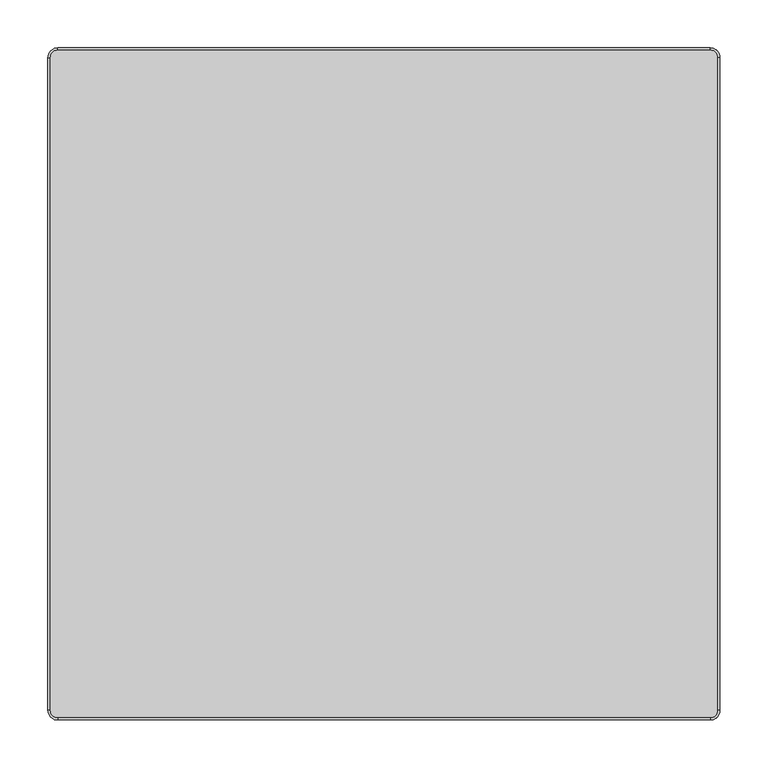
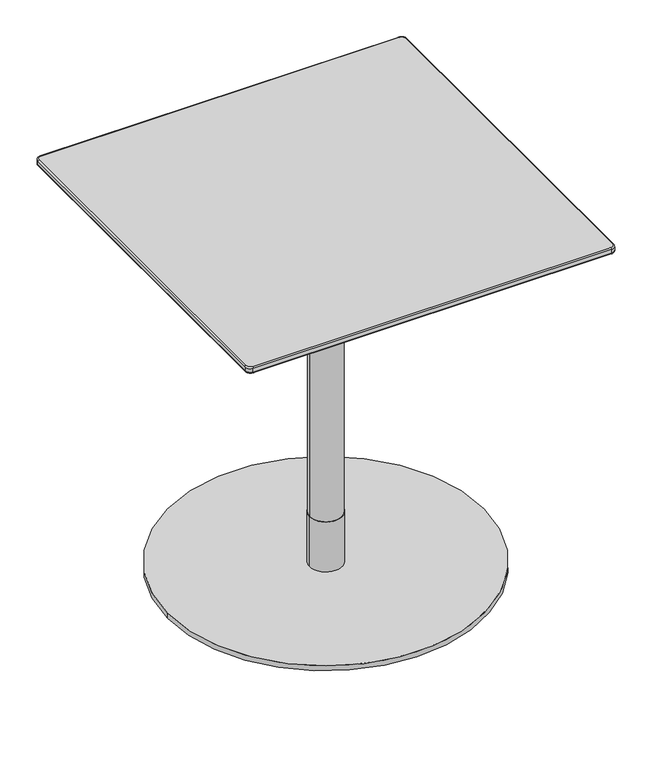
"""IFC4 building model written with IfcOpenShell, lengths in millimetres: furniture geometry."""

from ifc_helpers import new_model, si_unit, point, frame, origin, origin_with_axes, origin_2d, place, context, project, spatial, polyline, circle_curve, ellipse_curve, trimmed, segment, composite_curve, outline, extrude, source, transform, mapped, element, save
from ifc_brep_helpers import plane_surface, cylinder_surface, revolved_surface, spline_surface, advanced_brep


def furniture_15469471(model_context):
    return source(origin(), model_context, "Body", "SolidModel", [
        advanced_brep(
        [(-340.0, -348.6840403, 718.2400004), (-340.0, -350.0, 720.1193857), (-350.0, -340.0, 720.1193857), (-348.6840403, -340.0, 718.2400004), (-340.0, -350.0, 728.0), (-340.0, -348.0, 730.0), (-348.0, -340.0, 730.0), (-350.0, -340.0, 728.0), (340.0, -348.6840403, 718.2400004), (340.0, -350.0, 720.1193857), (340.0, -350.0, 728.0), (340.0, -348.0, 730.0), (348.6840403, -340.0, 718.2400004), (350.0, -340.0, 720.1193857), (350.0, -340.0, 728.0), (348.0, -340.0, 730.0), (348.6840403, 340.0, 718.2400004), (350.0, 340.0, 720.1193857), (350.0, 340.0, 728.0), (348.0, 340.0, 730.0), (340.0, 348.6840403, 718.2400004), (340.0, 350.0, 720.1193857), (340.0, 350.0, 728.0), (340.0, 348.0, 730.0), (-340.0, 348.6840403, 718.2400004), (-340.0, 350.0, 720.1193857), (-340.0, 350.0, 728.0), (-340.0, 348.0, 730.0), (-348.6840403, 340.0, 718.2400004), (-350.0, 340.0, 720.1193857), (-350.0, 340.0, 728.0), (-348.0, 340.0, 730.0)],
        [
            (0, 1, circle_curve(frame((-340.0, -348.0, 720.1193857), z_axis=(-1.0, 0.0, 0.0), x_axis=(0.0, 1.0, 0.0)), 2.0)),
            (1, 2, circle_curve(frame((-340.0, -340.0, 720.1193857), z_axis=(0.0, 0.0, -1.0), x_axis=(-1.0, 0.0, 0.0)), 10.0)),
            (2, 3, circle_curve(frame((-348.0, -340.0, 720.1193857), z_axis=(0.0, -1.0, 0.0), x_axis=(1.0, 0.0, 0.0)), 2.0)),
            (3, 0, circle_curve(frame((-340.0, -340.0, 718.2400004), z_axis=(0.0, 0.0, 1.0), x_axis=(-1.0, 0.0, 0.0)), 8.6840403)),
            (4, 5, circle_curve(frame((-340.0, -348.0, 728.0), z_axis=(-1.0, 0.0, 0.0), x_axis=(0.0, 1.0, 0.0)), 2.0)),
            (5, 6, circle_curve(frame((-340.0, -340.0, 730.0), z_axis=(0.0, 0.0, -1.0), x_axis=(-1.0, 0.0, 0.0)), 8.0)),
            (6, 7, circle_curve(frame((-348.0, -340.0, 728.0), z_axis=(0.0, -1.0, 0.0), x_axis=(1.0, 0.0, 0.0)), 2.0)),
            (7, 4, circle_curve(frame((-340.0, -340.0, 728.0), z_axis=(0.0, 0.0, 1.0), x_axis=(-1.0, 0.0, 0.0)), 10.0)),
            (0, 8),
            (8, 9, circle_curve(frame((340.0, -348.0, 720.1193857), z_axis=(-1.0, 0.0, 0.0), x_axis=(0.0, 1.0, 0.0)), 2.0)),
            (9, 1),
            (4, 10),
            (10, 11, circle_curve(frame((340.0, -348.0, 728.0), z_axis=(-1.0, 0.0, 0.0), x_axis=(0.0, 1.0, 0.0)), 2.0)),
            (11, 5),
            (8, 12, circle_curve(frame((340.0, -340.0, 718.2400004), z_axis=(0.0, 0.0, 1.0), x_axis=(0.0, -1.0, 0.0)), 8.6840403)),
            (12, 13, circle_curve(frame((348.0, -340.0, 720.1193857), z_axis=(0.0, -1.0, 0.0), x_axis=(-1.0, 0.0, 0.0)), 2.0)),
            (13, 9, circle_curve(frame((340.0, -340.0, 720.1193857), z_axis=(0.0, 0.0, -1.0), x_axis=(0.0, -1.0, 0.0)), 10.0)),
            (10, 14, circle_curve(frame((340.0, -340.0, 728.0), z_axis=(0.0, 0.0, 1.0), x_axis=(0.0, -1.0, 0.0)), 10.0)),
            (14, 15, circle_curve(frame((348.0, -340.0, 728.0), z_axis=(0.0, -1.0, 0.0), x_axis=(-1.0, 0.0, 0.0)), 2.0)),
            (15, 11, circle_curve(frame((340.0, -340.0, 730.0), z_axis=(0.0, 0.0, -1.0), x_axis=(0.0, -1.0, 0.0)), 8.0)),
            (12, 16),
            (16, 17, circle_curve(frame((348.0, 340.0, 720.1193857), z_axis=(0.0, -1.0, 0.0), x_axis=(-1.0, 0.0, 0.0)), 2.0)),
            (17, 13),
            (14, 18),
            (18, 19, circle_curve(frame((348.0, 340.0, 728.0), z_axis=(0.0, -1.0, 0.0), x_axis=(-1.0, 0.0, 0.0)), 2.0)),
            (19, 15),
            (16, 20, circle_curve(frame((340.0, 340.0, 718.2400004), z_axis=(0.0, 0.0, 1.0), x_axis=(1.0, 0.0, 0.0)), 8.6840403)),
            (20, 21, circle_curve(frame((340.0, 348.0, 720.1193857), z_axis=(1.0, 0.0, 0.0), x_axis=(0.0, -1.0, 0.0)), 2.0)),
            (21, 17, circle_curve(frame((340.0, 340.0, 720.1193857), z_axis=(0.0, 0.0, -1.0), x_axis=(1.0, 0.0, 0.0)), 10.0)),
            (18, 22, circle_curve(frame((340.0, 340.0, 728.0), z_axis=(0.0, 0.0, 1.0), x_axis=(1.0, 0.0, 0.0)), 10.0)),
            (22, 23, circle_curve(frame((340.0, 348.0, 728.0), z_axis=(1.0, 0.0, 0.0), x_axis=(0.0, -1.0, 0.0)), 2.0)),
            (23, 19, circle_curve(frame((340.0, 340.0, 730.0), z_axis=(0.0, 0.0, -1.0), x_axis=(1.0, 0.0, 0.0)), 8.0)),
            (20, 24),
            (24, 25, circle_curve(frame((-340.0, 348.0, 720.1193857), z_axis=(1.0, 0.0, 0.0), x_axis=(0.0, -1.0, 0.0)), 2.0)),
            (25, 21),
            (22, 26),
            (26, 27, circle_curve(frame((-340.0, 348.0, 728.0), z_axis=(1.0, 0.0, 0.0), x_axis=(0.0, -1.0, 0.0)), 2.0)),
            (27, 23),
            (24, 28, circle_curve(frame((-340.0, 340.0, 718.2400004), z_axis=(0.0, 0.0, 1.0), x_axis=(0.0, 1.0, 0.0)), 8.6840403)),
            (28, 29, circle_curve(frame((-348.0, 340.0, 720.1193857), z_axis=(0.0, 1.0, 0.0), x_axis=(1.0, 0.0, 0.0)), 2.0)),
            (29, 25, circle_curve(frame((-340.0, 340.0, 720.1193857), z_axis=(0.0, 0.0, -1.0), x_axis=(0.0, 1.0, 0.0)), 10.0)),
            (26, 30, circle_curve(frame((-340.0, 340.0, 728.0), z_axis=(0.0, 0.0, 1.0), x_axis=(0.0, 1.0, 0.0)), 10.0)),
            (30, 31, circle_curve(frame((-348.0, 340.0, 728.0), z_axis=(0.0, 1.0, 0.0), x_axis=(1.0, 0.0, 0.0)), 2.0)),
            (31, 27, circle_curve(frame((-340.0, 340.0, 730.0), z_axis=(0.0, 0.0, -1.0), x_axis=(0.0, 1.0, 0.0)), 8.0)),
            (2, 29),
            (28, 3),
            (6, 31),
            (30, 7),
            (22, 21),
            (25, 26),
            (30, 29),
            (2, 7),
            (4, 1),
            (9, 10),
            (14, 13),
            (17, 18),
        ],
        [
            revolved_surface(trimmed(ellipse_curve(frame((-348.0, -340.0, 720.1193857), z_axis=(0.0, 1.0, 0.0), x_axis=(1.0, 0.0, 0.0)), 2.0, 2.0), [point((-348.6840403, -340.0, 718.2400004))], [point((-350.0, -340.0, 720.1193857))], True, "CARTESIAN"), (-340.0, -340.0, 0.0), (0.0, 0.0, 1.0)),
            revolved_surface(trimmed(ellipse_curve(frame((-348.0, -340.0, 728.0), z_axis=(0.0, 1.0, 0.0), x_axis=(1.0, 0.0, 0.0)), 2.0, 2.0), [point((-350.0, -340.0, 728.0))], [point((-348.0, -340.0, 730.0))], True, "CARTESIAN"), (-340.0, -340.0, 0.0), (0.0, 0.0, 1.0)),
            cylinder_surface(frame((-340.0, -348.0, 720.1193857), z_axis=(1.0, 0.0, 0.0), x_axis=(0.0, 1.0, 0.0)), 2.0),
            cylinder_surface(frame((-340.0, -348.0, 728.0), z_axis=(1.0, 0.0, 0.0), x_axis=(0.0, 1.0, 0.0)), 2.0),
            revolved_surface(trimmed(ellipse_curve(frame((340.0, -348.0, 720.1193857), z_axis=(-1.0, 0.0, 0.0), x_axis=(0.0, 1.0, 0.0)), 2.0, 2.0), [point((340.0, -348.6840403, 718.2400004))], [point((340.0, -350.0, 720.1193857))], True, "CARTESIAN"), (340.0, -340.0, 0.0), (0.0, 0.0, 1.0)),
            revolved_surface(trimmed(ellipse_curve(frame((340.0, -348.0, 728.0), z_axis=(-1.0, 0.0, 0.0), x_axis=(0.0, 1.0, 0.0)), 2.0, 2.0), [point((340.0, -350.0, 728.0))], [point((340.0, -348.0, 730.0))], True, "CARTESIAN"), (340.0, -340.0, 0.0), (0.0, 0.0, 1.0)),
            cylinder_surface(frame((348.0, -340.0, 720.1193857), z_axis=(0.0, 1.0, 0.0), x_axis=(-1.0, 0.0, 0.0)), 2.0),
            cylinder_surface(frame((348.0, -340.0, 728.0), z_axis=(0.0, 1.0, 0.0), x_axis=(-1.0, 0.0, 0.0)), 2.0),
            revolved_surface(trimmed(ellipse_curve(frame((348.0, 340.0, 720.1193857), z_axis=(0.0, -1.0, 0.0), x_axis=(-1.0, 0.0, 0.0)), 2.0, 2.0), [point((348.6840403, 340.0, 718.2400004))], [point((350.0, 340.0, 720.1193857))], True, "CARTESIAN"), (340.0, 340.0, 0.0), (0.0, 0.0, 1.0)),
            revolved_surface(trimmed(ellipse_curve(frame((348.0, 340.0, 728.0), z_axis=(0.0, -1.0, 0.0), x_axis=(-1.0, 0.0, 0.0)), 2.0, 2.0), [point((350.0, 340.0, 728.0))], [point((348.0, 340.0, 730.0))], True, "CARTESIAN"), (340.0, 340.0, 0.0), (0.0, 0.0, 1.0)),
            cylinder_surface(frame((340.0, 348.0, 720.1193857), z_axis=(-1.0, 0.0, 0.0), x_axis=(0.0, -1.0, 0.0)), 2.0),
            cylinder_surface(frame((340.0, 348.0, 728.0), z_axis=(-1.0, 0.0, 0.0), x_axis=(0.0, -1.0, 0.0)), 2.0),
            revolved_surface(trimmed(ellipse_curve(frame((-340.0, 348.0, 720.1193857), z_axis=(1.0, 0.0, 0.0), x_axis=(0.0, -1.0, 0.0)), 2.0, 2.0), [point((-340.0, 348.6840403, 718.2400004))], [point((-340.0, 350.0, 720.1193857))], True, "CARTESIAN"), (-340.0, 340.0, 0.0), (0.0, 0.0, 1.0)),
            revolved_surface(trimmed(ellipse_curve(frame((-340.0, 348.0, 728.0), z_axis=(1.0, 0.0, 0.0), x_axis=(0.0, -1.0, 0.0)), 2.0, 2.0), [point((-340.0, 350.0, 728.0))], [point((-340.0, 348.0, 730.0))], True, "CARTESIAN"), (-340.0, 340.0, 0.0), (0.0, 0.0, 1.0)),
            cylinder_surface(frame((-348.0, 340.0, 720.1193857), z_axis=(0.0, -1.0, 0.0), x_axis=(1.0, 0.0, 0.0)), 2.0),
            cylinder_surface(frame((-348.0, 340.0, 728.0), z_axis=(0.0, -1.0, 0.0), x_axis=(1.0, 0.0, 0.0)), 2.0),
            plane_surface(frame((-330.0, 350.0, 730.0), z_axis=(0.0, 0.0, 1.0), x_axis=(-1.0, 0.0, 0.0))),
            plane_surface(frame((-330.0, 350.0, 718.2400004), z_axis=(0.0, 0.0, -1.0), x_axis=(1.0, 0.0, 0.0))),
            plane_surface(frame((340.0, 350.0, 730.0), z_axis=(0.0, 1.0, 0.0), x_axis=(0.0, 0.0, -1.0))),
            plane_surface(frame((-350.0, 340.0, 730.0), z_axis=(-1.0, 0.0, 0.0), x_axis=(0.0, 0.0, -1.0))),
            plane_surface(frame((-340.0, -350.0, 730.0), z_axis=(0.0, -1.0, 0.0), x_axis=(0.0, 0.0, -1.0))),
            plane_surface(frame((350.0, -340.0, 730.0), z_axis=(1.0, 0.0, 0.0), x_axis=(0.0, 0.0, -1.0))),
            cylinder_surface(frame((-340.0, 340.0, 718.2400004), z_axis=(0.0, 0.0, 1.0), x_axis=(1.0, 0.0, 0.0)), 10.0),
            cylinder_surface(frame((-340.0, -340.0, 718.2400004), z_axis=(0.0, 0.0, 1.0), x_axis=(1.0, 0.0, 0.0)), 10.0),
            cylinder_surface(frame((340.0, -340.0, 718.2400004), z_axis=(0.0, 0.0, 1.0), x_axis=(1.0, 0.0, 0.0)), 10.0),
            cylinder_surface(frame((340.0, 340.0, 718.2400004), z_axis=(0.0, 0.0, 1.0), x_axis=(1.0, 0.0, 0.0)), 10.0),
        ],
        [
            (0, [[1, 2, 3, 4]]),
            (1, [[5, 6, 7, 8]]),
            (2, [[-1, 9, 10, 11]]),
            (3, [[-5, 12, 13, 14]]),
            (4, [[-10, 15, 16, 17]]),
            (5, [[-13, 18, 19, 20]]),
            (6, [[-16, 21, 22, 23]]),
            (7, [[-19, 24, 25, 26]]),
            (8, [[-22, 27, 28, 29]]),
            (9, [[-25, 30, 31, 32]]),
            (10, [[-28, 33, 34, 35]]),
            (11, [[-31, 36, 37, 38]]),
            (12, [[-34, 39, 40, 41]]),
            (13, [[-37, 42, 43, 44]]),
            (14, [[-3, 45, -40, 46]]),
            (15, [[-7, 47, -43, 48]]),
            (16, [[-6, -14, -20, -26, -32, -38, -44, -47]]),
            (17, [[-4, -46, -39, -33, -27, -21, -15, -9]]),
            (18, [[49, -35, 50, -36]]),
            (19, [[51, -45, 52, -48]]),
            (20, [[53, -11, 54, -12]]),
            (21, [[55, -23, 56, -24]]),
            (22, [[-51, -42, -50, -41]]),
            (23, [[-53, -8, -52, -2]]),
            (24, [[-55, -18, -54, -17]]),
            (25, [[-49, -30, -56, -29]]),
        ],
    ),
        advanced_brep(
        [(340.0, 348.6840403, 718.2400004), (-340.0, 348.6840403, 718.2400004), (-348.6840403, 340.0, 718.2400004), (-348.6840403, -340.0, 718.2400004), (-340.0, -348.6840403, 718.2400004), (340.0, -348.6840403, 718.2400004), (348.6840403, -340.0, 718.2400004), (348.6840403, 340.0, 718.2400004), (312.030341, 320.0, 707.7932619), (320.0, 312.030341, 707.7932619), (320.0, -312.030341, 707.7932619), (312.030341, -320.0, 707.7932619), (-312.030341, -320.0, 707.7932619), (-320.0, -312.030341, 707.7932619), (-320.0, 312.030341, 707.7932619), (-312.030341, 320.0, 707.7932619)],
        [
            (0, 1),
            (1, 2, circle_curve(frame((-340.0, 340.0, 718.2400004), z_axis=(0.0, 0.0, 1.0), x_axis=(1.0, 0.0, 0.0)), 8.6840403)),
            (2, 3),
            (3, 4, circle_curve(frame((-340.0, -340.0, 718.2400004), z_axis=(0.0, 0.0, 1.0), x_axis=(1.0, 0.0, 0.0)), 8.6840403)),
            (4, 5),
            (5, 6, circle_curve(frame((340.0, -340.0, 718.2400004), z_axis=(0.0, 0.0, 1.0), x_axis=(1.0, 0.0, 0.0)), 8.6840403)),
            (6, 7),
            (7, 0, circle_curve(frame((340.0, 340.0, 718.2400004), z_axis=(0.0, 0.0, 1.0), x_axis=(1.0, 0.0, 0.0)), 8.6840403)),
            (8, 9, circle_curve(frame((312.030341, 312.030341, 707.7932619), z_axis=(0.0, 0.0, -1.0), x_axis=(1.0, 0.0, 0.0)), 7.969659)),
            (9, 10),
            (10, 11, circle_curve(frame((312.030341, -312.030341, 707.7932619), z_axis=(0.0, 0.0, -1.0), x_axis=(1.0, 0.0, 0.0)), 7.969659)),
            (11, 12),
            (12, 13, circle_curve(frame((-312.030341, -312.030341, 707.7932619), z_axis=(0.0, 0.0, -1.0), x_axis=(1.0, 0.0, 0.0)), 7.969659)),
            (13, 14),
            (14, 15, circle_curve(frame((-312.030341, 312.030341, 707.7932619), z_axis=(0.0, 0.0, -1.0), x_axis=(1.0, 0.0, 0.0)), 7.969659)),
            (15, 8),
            (15, 1),
            (0, 8),
            (14, 2),
            (13, 3),
            (12, 4),
            (11, 5),
            (10, 6),
            (9, 7),
        ],
        [
            plane_surface(frame((0.0, 0.0, 718.2400004), z_axis=(0.0, 0.0, 1.0), x_axis=(-1.0, 0.0, 0.0))),
            plane_surface(frame((0.0, 0.0, 707.7932619), z_axis=(0.0, 0.0, -1.0), x_axis=(-1.0, 0.0, 0.0))),
            plane_surface(frame((0.0, 320.0, 707.7932619), z_axis=(0.0, 0.3422110930581663, -0.9396230987943703), x_axis=(-1.0, 0.0, 0.0))),
            spline_surface(2, 1, [[(-312.030341, 320.0, 707.7932619), (-340.0, 348.6840403, 718.2400004)], [(-320.0, 320.0, 707.7932619), (-348.6840403, 348.6840403, 718.2400004)], [(-320.0, 312.030341, 707.7932619), (-348.6840403, 340.0, 718.2400004)]], [3, 3], [2, 2], [0.0, 1.0], [0.0, 1.0], weights=[[1.0, 1.0], [0.7071067811865476, 0.7071067811865476], [1.0, 1.0]]),
            plane_surface(frame((-320.0, 0.0, 707.7932619), z_axis=(-0.3422110930581649, 0.0, -0.9396230987943709), x_axis=(0.0, -1.0, 0.0))),
            spline_surface(2, 1, [[(-320.0, -312.030341, 707.7932619), (-348.6840403, -340.0, 718.2400004)], [(-320.0, -320.0, 707.7932619), (-348.6840403, -348.6840403, 718.2400004)], [(-312.030341, -320.0, 707.7932619), (-340.0, -348.6840403, 718.2400004)]], [3, 3], [2, 2], [0.0, 1.0], [0.0, 1.0], weights=[[1.0, 1.0], [0.7071067811865476, 0.7071067811865476], [1.0, 1.0]]),
            plane_surface(frame((0.0, -320.0, 707.7932619), z_axis=(0.0, -0.3422110930581663, -0.9396230987943703), x_axis=(1.0, 0.0, 0.0))),
            spline_surface(2, 1, [[(312.030341, -320.0, 707.7932619), (340.0, -348.6840403, 718.2400004)], [(320.0, -320.0, 707.7932619), (348.6840403, -348.6840403, 718.2400004)], [(320.0, -312.030341, 707.7932619), (348.6840403, -340.0, 718.2400004)]], [3, 3], [2, 2], [0.0, 1.0], [0.0, 1.0], weights=[[1.0, 1.0], [0.7071067811865476, 0.7071067811865476], [1.0, 1.0]]),
            plane_surface(frame((320.0, 0.0, 707.7932619), z_axis=(0.34221109305816777, 0.0, -0.9396230987943699), x_axis=(0.0, 1.0, 0.0))),
            spline_surface(2, 1, [[(320.0, 312.030341, 707.7932619), (348.6840403, 340.0, 718.2400004)], [(320.0, 320.0, 707.7932619), (348.6840403, 348.6840403, 718.2400004)], [(312.030341, 320.0, 707.7932619), (340.0, 348.6840403, 718.2400004)]], [3, 3], [2, 2], [0.0, 1.0], [0.0, 1.0], weights=[[1.0, 1.0], [0.7071067811865476, 0.7071067811865476], [1.0, 1.0]]),
        ],
        [
            (0, [[1, 2, 3, 4, 5, 6, 7, 8]]),
            (1, [[9, 10, 11, 12, 13, 14, 15, 16]]),
            (2, [[-16, 17, -1, 18]]),
            (3, [[-15, 19, -2, -17]]),
            (4, [[-14, 20, -3, -19]]),
            (5, [[-13, 21, -4, -20]]),
            (6, [[-12, 22, -5, -21]]),
            (7, [[-11, 23, -6, -22]]),
            (8, [[-10, 24, -7, -23]]),
            (9, [[-9, -18, -8, -24]]),
        ],
    ),
        extrude(outline(polyline([(175.0000945, 174.9403258), (175.0000945, -175.0598632), (-175.0000945, -175.0598632), (-175.0000945, 174.9403258), (175.0000945, 174.9403258)])), frame((0.0, 0.0, 702.7932592), z_axis=(0.0, 0.0, 1.0), x_axis=(1.0, 0.0, 0.0)), (0.0, 0.0, 1.0), 5.0000027),
        extrude(outline(composite_curve([segment(trimmed(circle_curve(origin_2d(), 31.0), [point((-31.0, 0.0))], [point((31.0, 0.0))], False, "CARTESIAN"), True, "CONTINUOUS"), segment(trimmed(circle_curve(origin_2d(), 31.0), [point((31.0, 0.0))], [point((-31.0, 0.0))], False, "CARTESIAN"), True, "CONTINUOUS")], self_intersect=False)), frame((0.0, 0.0, 602.7932663), z_axis=(0.0, 0.0, 1.0), x_axis=(1.0, 0.0, 0.0)), (0.0, 0.0, 1.0), 99.999993),
        extrude(outline(composite_curve([segment(trimmed(circle_curve(origin_2d(), 30.0), [point((-30.0, 0.0))], [point((30.0, 0.0))], False, "CARTESIAN"), True, "CONTINUOUS"), segment(trimmed(circle_curve(origin_2d(), 30.0), [point((30.0, 0.0))], [point((-30.0, 0.0))], False, "CARTESIAN"), True, "CONTINUOUS")], self_intersect=False)), frame((0.0, 0.0, 110.0016526), z_axis=(0.0, 0.0, 1.0), x_axis=(1.0, 0.0, 0.0)), (0.0, 0.0, 1.0), 492.7916137),
        extrude(outline(composite_curve([segment(trimmed(circle_curve(origin_2d(), 31.0), [point((-31.0, 0.0))], [point((31.0, 0.0))], False, "CARTESIAN"), True, "CONTINUOUS"), segment(trimmed(circle_curve(origin_2d(), 31.0), [point((31.0, 0.0))], [point((-31.0, 0.0))], False, "CARTESIAN"), True, "CONTINUOUS")], self_intersect=False)), frame((0.0, 0.0, 10.0000044), z_axis=(0.0, 0.0, 1.0), x_axis=(1.0, 0.0, 0.0)), (0.0, 0.0, 1.0), 100.0016481),
        extrude(outline(composite_curve([segment(trimmed(circle_curve(origin_2d(), 300.0), [point((-300.0, 0.0))], [point((300.0, 0.0))], False, "CARTESIAN"), True, "CONTINUOUS"), segment(trimmed(circle_curve(origin_2d(), 300.0), [point((300.0, 0.0))], [point((-300.0, 0.0))], False, "CARTESIAN"), True, "CONTINUOUS")], self_intersect=False)), origin_with_axes(), (0.0, 0.0, 1.0), 10.0000044),
    ])


if __name__ == "__main__":
    model = new_model("IFC4")
    model_context = context("Model", 3, world=origin())
    ifc_project = project(units=[si_unit("LENGTHUNIT", "METRE", prefix="MILLI")], contexts=[model_context])
    site = spatial("IfcSite", under=ifc_project)
    building = spatial("IfcBuilding", under=site)
    placement = place(None, origin())
    furniture_shape = furniture_15469471(model_context)
    element("IfcFurniture", 1, at=placement, inside=building, context=model_context, shape_type="MappedRepresentation", body=[
        mapped(furniture_shape, transform((0.0, 0.0, 0.0), x_axis=(1.0, 0.0, 0.0), y_axis=(0.0, 1.0, 0.0), z_axis=(0.0, 0.0, 1.0))),
    ])
    save(model, "model.ifc")
